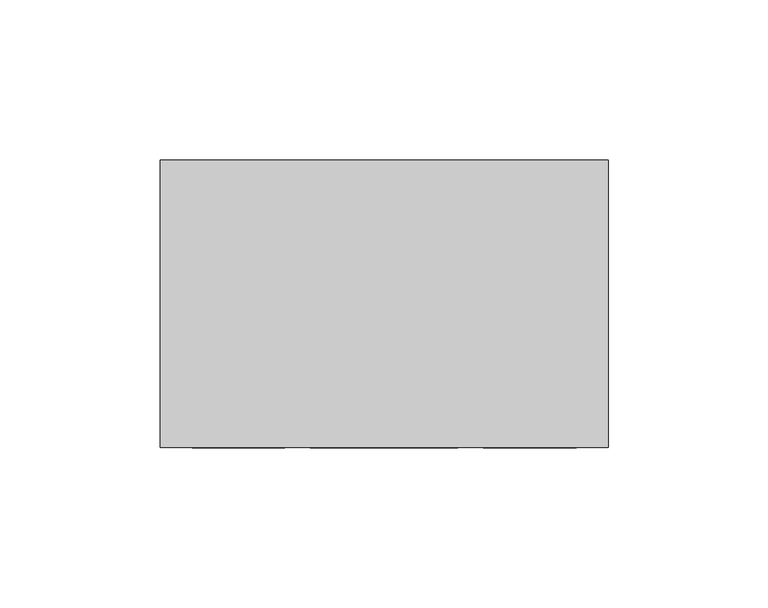
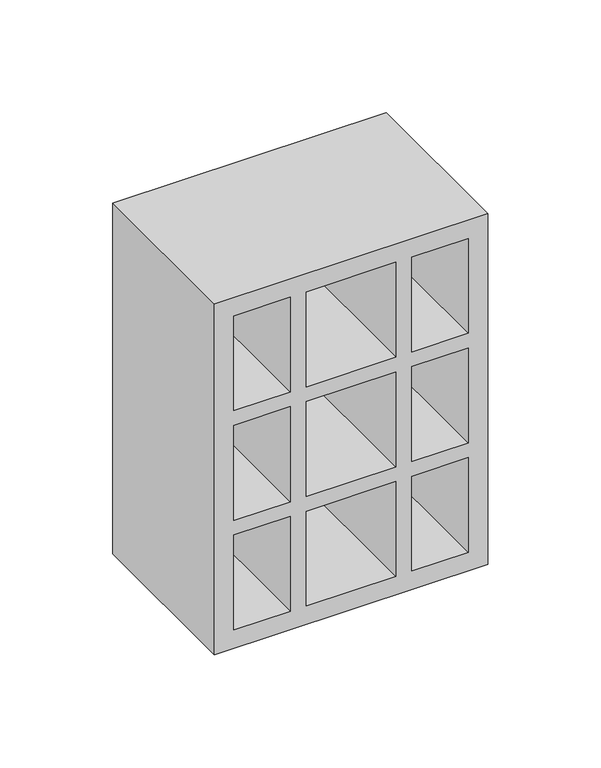
"""IFC4 building model written with IfcOpenShell, lengths in millimetres: proxy geometry."""

from ifc_helpers import new_model, si_unit, frame, origin, place, context, project, spatial, polyline, outline, extrude, source, transform, mapped, element, save


def generic_models_7c892125(model_context):
    return source(origin(), model_context, "Body", "SweptSolid", [
        extrude(outline(polyline([(0.0, 140.0), (190.0, 140.0), (190.0, 0.0), (0.0, 0.0), (0.0, 140.0)]), holes=[polyline([(10.0, 101.0), (61.3, 101.0), (61.3, 130.0), (10.0, 130.0), (10.0, 101.0)]), polyline([(10.0, 39.0), (10.0, 10.0), (61.3, 10.0), (61.3, 39.0), (10.0, 39.0)]), polyline([(180.0, 101.0), (180.0, 130.0), (128.7, 130.0), (128.7, 101.0), (180.0, 101.0)]), polyline([(180.0, 39.0), (128.7, 39.0), (128.7, 10.0), (180.0, 10.0), (180.0, 39.0)]), polyline([(61.3, 93.0), (10.0, 93.0), (10.0, 47.0), (61.3, 47.0), (61.3, 93.0)]), polyline([(128.7, 93.0), (128.7, 47.0), (180.0, 47.0), (180.0, 93.0), (128.7, 93.0)]), polyline([(120.7, 130.0), (69.2564307, 130.0), (69.2564307, 101.0), (120.7, 101.0), (120.7, 130.0)]), polyline([(120.7, 10.0), (120.7, 39.0), (69.2564307, 39.0), (69.2564307, 10.0), (120.7, 10.0)]), polyline([(120.7, 93.0), (69.2564307, 93.0), (69.2564307, 47.0), (120.7, 47.0), (120.7, 93.0)])]), frame((0.0, 0.0, 0.0), z_axis=(0.0, 1.0, 0.0), x_axis=(0.0, 0.0, 1.0)), (0.0, 0.0, 1.0), 90.0),
    ])


if __name__ == "__main__":
    model = new_model("IFC4")
    model_context = context("Model", 3, world=origin())
    ifc_project = project(units=[si_unit("LENGTHUNIT", "METRE", prefix="MILLI")], contexts=[model_context])
    site = spatial("IfcSite", under=ifc_project)
    building = spatial("IfcBuilding", under=site)
    placement = place(None, origin())
    generic_models_shape = generic_models_7c892125(model_context)
    element("IfcBuildingElementProxy", 1, Name="Generic Models", at=placement, inside=building, context=model_context, shape_type="MappedRepresentation", body=[
        mapped(generic_models_shape, transform((0.0, 0.0, 0.0), x_axis=(1.0, 0.0, 0.0), y_axis=(0.0, 1.0, 0.0), z_axis=(0.0, 0.0, 1.0))),
    ])
    save(model, "model.ifc")
